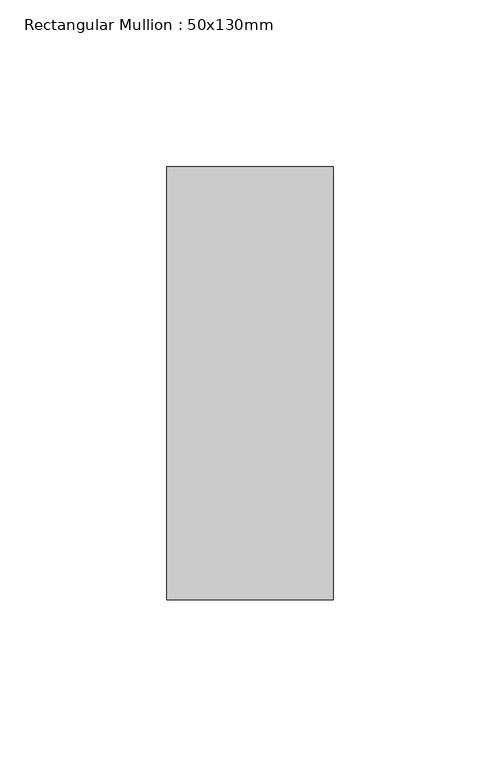
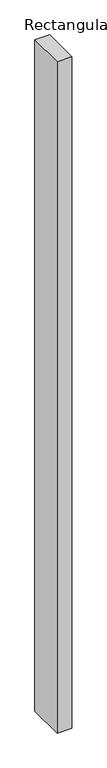
"""IFC4 building model written with IfcOpenShell, lengths in millimetres: member geometry, Rectangular Mullion : 50x130mm."""

from ifc_helpers import new_model, si_unit, frame, origin, place, context, project, spatial, polyline, outline, extrude, source, transform, mapped, element, save


def rectangular_mullion_50x130mm_aae334ab(model_context):
    return source(origin(), model_context, "Body", "SweptSolid", [
        extrude(outline(polyline([(0.0, 65.0), (0.0, -65.0), (-50.0, -65.0), (-50.0, 65.0), (0.0, 65.0)])), frame((0.0, 0.0, -2400.0), z_axis=(0.0, 0.0, 1.0), x_axis=(1.0, 0.0, 0.0)), (0.0, 0.0, 1.0), 2400.0),
    ])


if __name__ == "__main__":
    model = new_model("IFC4")
    model_context = context("Model", 3, world=origin())
    ifc_project = project(units=[si_unit("LENGTHUNIT", "METRE", prefix="MILLI")], contexts=[model_context])
    site = spatial("IfcSite", under=ifc_project)
    building = spatial("IfcBuilding", under=site)
    placement = place(None, origin())
    rectangular_mullion_50x130mm_shape = rectangular_mullion_50x130mm_aae334ab(model_context)
    element("IfcMember", 1, ObjectType="Rectangular Mullion : 50x130mm", at=placement, inside=building, context=model_context, shape_type="MappedRepresentation", body=[
        mapped(rectangular_mullion_50x130mm_shape, transform((0.0, 0.0, 0.0), x_axis=(1.0, 0.0, 0.0), y_axis=(0.0, 1.0, 0.0), z_axis=(0.0, 0.0, 1.0))),
    ])
    save(model, "model.ifc")
